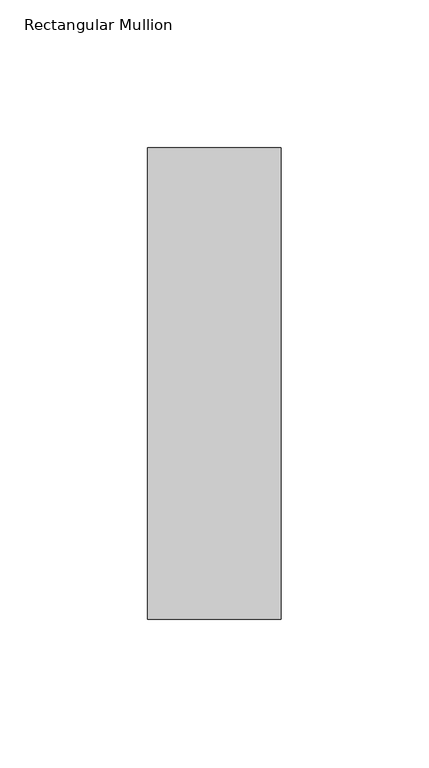
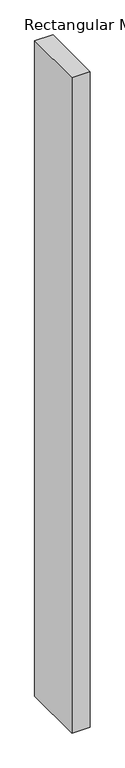
"""IFC4 building model written with IfcOpenShell, lengths in millimetres: member geometry, Rectangular Mullion."""

from ifc_helpers import new_model, si_unit, frame, origin, place, context, project, spatial, polyline, outline, extrude, source, transform, mapped, element, save


def rectangular_mullion_9c7076ce(model_context):
    return source(origin(), model_context, "Body", "SweptSolid", [
        extrude(outline(polyline([(22.5, 107.60625), (22.5, -51.60625), (-22.5, -51.60625), (-22.5, 107.60625), (22.5, 107.60625)])), frame((0.0, 0.0, -1708.8912252), z_axis=(0.0, 0.0, 1.0), x_axis=(1.0, 0.0, 0.0)), (0.0, 0.0, 1.0), 1708.8912252),
    ])


if __name__ == "__main__":
    model = new_model("IFC4")
    model_context = context("Model", 3, world=origin())
    ifc_project = project(units=[si_unit("LENGTHUNIT", "METRE", prefix="MILLI")], contexts=[model_context])
    site = spatial("IfcSite", under=ifc_project)
    building = spatial("IfcBuilding", under=site)
    placement = place(None, origin())
    rectangular_mullion_shape = rectangular_mullion_9c7076ce(model_context)
    element("IfcMember", 1, ObjectType="Rectangular Mullion", at=placement, inside=building, context=model_context, shape_type="MappedRepresentation", body=[
        mapped(rectangular_mullion_shape, transform((0.0, 0.0, 0.0), x_axis=(1.0, 0.0, 0.0), y_axis=(0.0, 1.0, 0.0), z_axis=(0.0, 0.0, 1.0))),
    ])
    save(model, "model.ifc")
